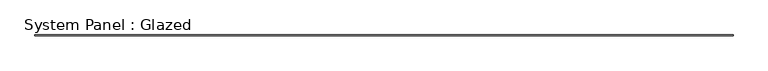
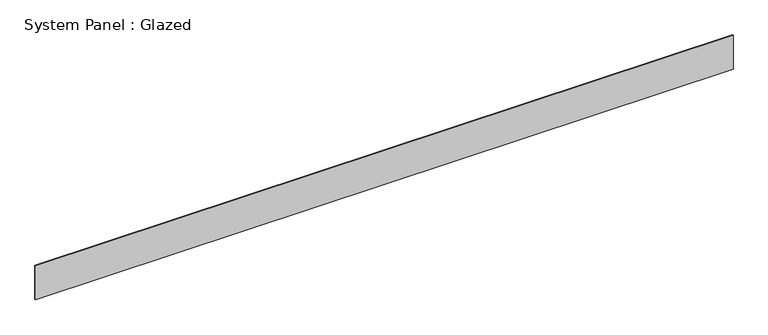
"""IFC4 building model written with IfcOpenShell, lengths in millimetres: plate geometry, System Panel : Glazed."""

from ifc_helpers import new_model, si_unit, origin, origin_with_axes, place, context, project, spatial, polyline, outline, extrude, source, transform, mapped, element, save


def system_panel_glazed_df55abe7(model_context):
    return source(origin(), model_context, "Body", "SweptSolid", [
        extrude(outline(polyline([(8749.4153167, 24.5), (-8749.4153167, 24.5), (-8749.4153167, 49.5), (8749.4153167, 49.5), (8749.4153167, 24.5)])), origin_with_axes(), (0.0, 0.0, 1.0), 900.0),
    ])


if __name__ == "__main__":
    model = new_model("IFC4")
    model_context = context("Model", 3, world=origin())
    ifc_project = project(units=[si_unit("LENGTHUNIT", "METRE", prefix="MILLI")], contexts=[model_context])
    site = spatial("IfcSite", under=ifc_project)
    building = spatial("IfcBuilding", under=site)
    placement = place(None, origin())
    system_panel_glazed_shape = system_panel_glazed_df55abe7(model_context)
    element("IfcPlate", 1, ObjectType="System Panel : Glazed", at=placement, inside=building, context=model_context, shape_type="MappedRepresentation", body=[
        mapped(system_panel_glazed_shape, transform((0.0, 0.0, 0.0), x_axis=(1.0, 0.0, 0.0), y_axis=(0.0, 1.0, 0.0), z_axis=(0.0, 0.0, 1.0))),
    ])
    save(model, "model.ifc")
